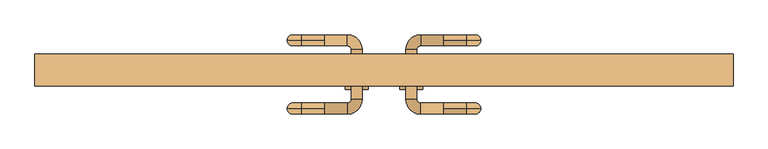
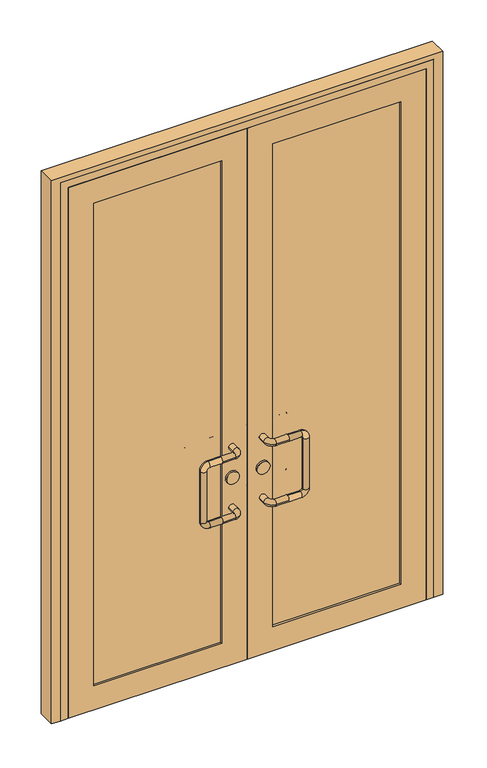
"""IFC4 building model written with IfcOpenShell, lengths in millimetres: door geometry."""

from ifc_helpers import new_model, si_unit, point, frame, frame_2d, origin, place, context, project, spatial, polyline, circle_curve, ellipse_curve, trimmed, segment, composite_curve, outline, extrude, faceted_brep, source, transform, mapped, element, save
from ifc_brep_helpers import cylinder_surface, revolved_surface, advanced_brep


def door_acc187e0(model_context):
    return source(origin(), model_context, "Body", "SolidModel", [
        advanced_brep(
        [(-130.0, -12.0, 900.0), (-80.0, -12.0, 900.0), (-80.0, 12.0, 900.0), (-130.0, 12.0, 900.0), (-130.0, 0.0, 912.0), (-130.0, 0.0, 888.0), (-48.0, 20.0, 900.0), (-72.0, 20.0, 900.0), (-48.0, 130.0, 900.0), (-72.0, 130.0, 900.0), (-80.0, 162.0, 900.0), (-80.0, 138.0, 900.0), (-130.0, 162.0, 900.0), (-130.0, 150.0, 912.0), (-130.0, 138.0, 900.0), (-130.0, 150.0, 888.0), (-180.0, 0.0, 888.0), (-180.0, 0.0, 912.0), (-188.0, 0.0, 880.0), (-212.0, 0.0, 880.0), (-188.0, 0.0, 670.0), (-212.0, 0.0, 670.0), (-180.0, 0.0, 662.0), (-180.0, 0.0, 638.0), (-130.0, 0.0, 662.0), (-130.0, 12.0, 650.0), (-130.0, 0.0, 638.0), (-130.0, -12.0, 650.0), (-80.0, -12.0, 650.0), (-80.0, 12.0, 650.0), (-48.0, 20.0, 650.0), (-72.0, 20.0, 650.0), (-48.0, 130.0, 650.0), (-72.0, 130.0, 650.0), (-80.0, 162.0, 650.0), (-80.0, 138.0, 650.0), (-130.0, 162.0, 650.0), (-130.0, 150.0, 662.0), (-130.0, 138.0, 650.0), (-130.0, 150.0, 638.0), (-180.0, 150.0, 888.0), (-180.0, 150.0, 912.0), (-188.0, 150.0, 880.0), (-212.0, 150.0, 880.0), (-188.0, 150.0, 670.0), (-212.0, 150.0, 670.0), (-180.0, 150.0, 662.0), (-180.0, 150.0, 638.0)],
        [
            (0, 1),
            (1, 2, circle_curve(frame((-80.0, 0.0, 900.0), z_axis=(-1.0, 0.0, 0.0), x_axis=(0.0, 1.0, 0.0)), 12.0)),
            (2, 3),
            (3, 4, circle_curve(frame((-130.0, 0.0, 900.0), z_axis=(1.0, 0.0, 0.0), x_axis=(0.0, 1.0, 0.0)), 12.0)),
            (4, 0, circle_curve(frame((-130.0, 0.0, 900.0), z_axis=(1.0, 0.0, 0.0), x_axis=(0.0, 1.0, 0.0)), 12.0)),
            (0, 5, circle_curve(frame((-130.0, 0.0, 900.0), z_axis=(1.0, 0.0, 0.0), x_axis=(0.0, 1.0, 0.0)), 12.0)),
            (5, 3, circle_curve(frame((-130.0, 0.0, 900.0), z_axis=(1.0, 0.0, 0.0), x_axis=(0.0, 1.0, 0.0)), 12.0)),
            (2, 1, circle_curve(frame((-80.0, 0.0, 900.0), z_axis=(-1.0, 0.0, 0.0), x_axis=(0.0, 1.0, 0.0)), 12.0)),
            (1, 6, circle_curve(frame((-80.0, 20.0, 900.0), z_axis=(0.0, 0.0, 1.0), x_axis=(0.0, -1.0, 0.0)), 32.0)),
            (6, 7, circle_curve(frame((-60.0, 20.0, 900.0), z_axis=(0.0, -1.0, 0.0), x_axis=(-1.0, 0.0, 0.0)), 12.0)),
            (7, 2, circle_curve(frame((-80.0, 20.0, 900.0), z_axis=(0.0, 0.0, -1.0), x_axis=(0.0, -1.0, 0.0)), 8.0)),
            (7, 6, circle_curve(frame((-60.0, 20.0, 900.0), z_axis=(0.0, -1.0, 0.0), x_axis=(-1.0, 0.0, 0.0)), 12.0)),
            (6, 8),
            (8, 9, circle_curve(frame((-60.0, 130.0, 900.0), z_axis=(0.0, -1.0, 0.0), x_axis=(-1.0, 0.0, 0.0)), 12.0)),
            (9, 7),
            (9, 8, circle_curve(frame((-60.0, 130.0, 900.0), z_axis=(0.0, -1.0, 0.0), x_axis=(-1.0, 0.0, 0.0)), 12.0)),
            (8, 10, circle_curve(frame((-80.0, 130.0, 900.0), z_axis=(0.0, 0.0, 1.0), x_axis=(1.0, 0.0, 0.0)), 32.0)),
            (10, 11, circle_curve(frame((-80.0, 150.0, 900.0), z_axis=(1.0, 0.0, 0.0), x_axis=(0.0, -1.0, 0.0)), 12.0)),
            (11, 9, circle_curve(frame((-80.0, 130.0, 900.0), z_axis=(0.0, 0.0, -1.0), x_axis=(1.0, 0.0, 0.0)), 8.0)),
            (11, 10, circle_curve(frame((-80.0, 150.0, 900.0), z_axis=(1.0, 0.0, 0.0), x_axis=(0.0, -1.0, 0.0)), 12.0)),
            (10, 12),
            (12, 13, circle_curve(frame((-130.0, 150.0, 900.0), z_axis=(1.0, 0.0, 0.0), x_axis=(0.0, -1.0, 0.0)), 12.0)),
            (13, 14, circle_curve(frame((-130.0, 150.0, 900.0), z_axis=(1.0, 0.0, 0.0), x_axis=(0.0, -1.0, 0.0)), 12.0)),
            (14, 11),
            (14, 15, circle_curve(frame((-130.0, 150.0, 900.0), z_axis=(1.0, 0.0, 0.0), x_axis=(0.0, -1.0, 0.0)), 12.0)),
            (15, 12, circle_curve(frame((-130.0, 150.0, 900.0), z_axis=(1.0, 0.0, 0.0), x_axis=(0.0, -1.0, 0.0)), 12.0)),
            (5, 16),
            (16, 17, circle_curve(frame((-180.0, 0.0, 900.0), z_axis=(1.0, 0.0, 0.0), x_axis=(0.0, 0.0, 1.0)), 12.0)),
            (17, 4),
            (17, 16, circle_curve(frame((-180.0, 0.0, 900.0), z_axis=(1.0, 0.0, 0.0), x_axis=(0.0, 0.0, 1.0)), 12.0)),
            (16, 18, circle_curve(frame((-180.0, 0.0, 880.0), z_axis=(0.0, -1.0, 0.0), x_axis=(0.0, 0.0, 1.0)), 8.0)),
            (18, 19, circle_curve(frame((-200.0, 0.0, 880.0), z_axis=(0.0, 0.0, 1.0), x_axis=(-1.0, 0.0, 0.0)), 12.0)),
            (19, 17, circle_curve(frame((-180.0, 0.0, 880.0), z_axis=(0.0, 1.0, 0.0), x_axis=(0.0, 0.0, 1.0)), 32.0)),
            (19, 18, circle_curve(frame((-200.0, 0.0, 880.0), z_axis=(0.0, 0.0, 1.0), x_axis=(-1.0, 0.0, 0.0)), 12.0)),
            (18, 20),
            (20, 21, circle_curve(frame((-200.0, 0.0, 670.0), z_axis=(0.0, 0.0, 1.0), x_axis=(-1.0, 0.0, 0.0)), 12.0)),
            (21, 19),
            (21, 20, circle_curve(frame((-200.0, 0.0, 670.0), z_axis=(0.0, 0.0, 1.0), x_axis=(-1.0, 0.0, 0.0)), 12.0)),
            (20, 22, circle_curve(frame((-180.0, 0.0, 670.0), z_axis=(0.0, -1.0, 0.0), x_axis=(-1.0, 0.0, 0.0)), 8.0)),
            (22, 23, circle_curve(frame((-180.0, 0.0, 650.0), z_axis=(-1.0, 0.0, 0.0), x_axis=(0.0, 0.0, -1.0)), 12.0)),
            (23, 21, circle_curve(frame((-180.0, 0.0, 670.0), z_axis=(0.0, 1.0, 0.0), x_axis=(-1.0, 0.0, 0.0)), 32.0)),
            (23, 22, circle_curve(frame((-180.0, 0.0, 650.0), z_axis=(-1.0, 0.0, 0.0), x_axis=(0.0, 0.0, -1.0)), 12.0)),
            (22, 24),
            (24, 25, circle_curve(frame((-130.0, 0.0, 650.0), z_axis=(-1.0, 0.0, 0.0), x_axis=(0.0, 0.0, -1.0)), 12.0)),
            (25, 26, circle_curve(frame((-130.0, 0.0, 650.0), z_axis=(-1.0, 0.0, 0.0), x_axis=(0.0, 0.0, -1.0)), 12.0)),
            (26, 23),
            (26, 27, circle_curve(frame((-130.0, 0.0, 650.0), z_axis=(-1.0, 0.0, 0.0), x_axis=(0.0, 0.0, -1.0)), 12.0)),
            (27, 24, circle_curve(frame((-130.0, 0.0, 650.0), z_axis=(-1.0, 0.0, 0.0), x_axis=(0.0, 0.0, -1.0)), 12.0)),
            (27, 28),
            (28, 29, circle_curve(frame((-80.0, 0.0, 650.0), z_axis=(-1.0, 0.0, 0.0), x_axis=(0.0, 1.0, 0.0)), 12.0)),
            (29, 25),
            (29, 28, circle_curve(frame((-80.0, 0.0, 650.0), z_axis=(-1.0, 0.0, 0.0), x_axis=(0.0, 1.0, 0.0)), 12.0)),
            (28, 30, circle_curve(frame((-80.0, 20.0, 650.0), z_axis=(0.0, 0.0, 1.0), x_axis=(0.0, -1.0, 0.0)), 32.0)),
            (30, 31, circle_curve(frame((-60.0, 20.0, 650.0), z_axis=(0.0, -1.0, 0.0), x_axis=(-1.0, 0.0, 0.0)), 12.0)),
            (31, 29, circle_curve(frame((-80.0, 20.0, 650.0), z_axis=(0.0, 0.0, -1.0), x_axis=(0.0, -1.0, 0.0)), 8.0)),
            (31, 30, circle_curve(frame((-60.0, 20.0, 650.0), z_axis=(0.0, -1.0, 0.0), x_axis=(-1.0, 0.0, 0.0)), 12.0)),
            (30, 32),
            (32, 33, circle_curve(frame((-60.0, 130.0, 650.0), z_axis=(0.0, -1.0, 0.0), x_axis=(-1.0, 0.0, 0.0)), 12.0)),
            (33, 31),
            (33, 32, circle_curve(frame((-60.0, 130.0, 650.0), z_axis=(0.0, -1.0, 0.0), x_axis=(-1.0, 0.0, 0.0)), 12.0)),
            (32, 34, circle_curve(frame((-80.0, 130.0, 650.0), z_axis=(0.0, 0.0, 1.0), x_axis=(1.0, 0.0, 0.0)), 32.0)),
            (34, 35, circle_curve(frame((-80.0, 150.0, 650.0), z_axis=(1.0, 0.0, 0.0), x_axis=(0.0, -1.0, 0.0)), 12.0)),
            (35, 33, circle_curve(frame((-80.0, 130.0, 650.0), z_axis=(0.0, 0.0, -1.0), x_axis=(1.0, 0.0, 0.0)), 8.0)),
            (35, 34, circle_curve(frame((-80.0, 150.0, 650.0), z_axis=(1.0, 0.0, 0.0), x_axis=(0.0, -1.0, 0.0)), 12.0)),
            (34, 36),
            (36, 37, circle_curve(frame((-130.0, 150.0, 650.0), z_axis=(1.0, 0.0, 0.0), x_axis=(0.0, -1.0, 0.0)), 12.0)),
            (37, 38, circle_curve(frame((-130.0, 150.0, 650.0), z_axis=(1.0, 0.0, 0.0), x_axis=(0.0, -1.0, 0.0)), 12.0)),
            (38, 35),
            (38, 39, circle_curve(frame((-130.0, 150.0, 650.0), z_axis=(1.0, 0.0, 0.0), x_axis=(0.0, -1.0, 0.0)), 12.0)),
            (39, 36, circle_curve(frame((-130.0, 150.0, 650.0), z_axis=(1.0, 0.0, 0.0), x_axis=(0.0, -1.0, 0.0)), 12.0)),
            (15, 40),
            (40, 41, circle_curve(frame((-180.0, 150.0, 900.0), z_axis=(1.0, 0.0, 0.0), x_axis=(0.0, 0.0, 1.0)), 12.0)),
            (41, 13),
            (41, 40, circle_curve(frame((-180.0, 150.0, 900.0), z_axis=(1.0, 0.0, 0.0), x_axis=(0.0, 0.0, 1.0)), 12.0)),
            (40, 42, circle_curve(frame((-180.0, 150.0, 880.0), z_axis=(0.0, -1.0, 0.0), x_axis=(0.0, 0.0, 1.0)), 8.0)),
            (42, 43, circle_curve(frame((-200.0, 150.0, 880.0), z_axis=(0.0, 0.0, 1.0), x_axis=(-1.0, 0.0, 0.0)), 12.0)),
            (43, 41, circle_curve(frame((-180.0, 150.0, 880.0), z_axis=(0.0, 1.0, 0.0), x_axis=(0.0, 0.0, 1.0)), 32.0)),
            (43, 42, circle_curve(frame((-200.0, 150.0, 880.0), z_axis=(0.0, 0.0, 1.0), x_axis=(-1.0, 0.0, 0.0)), 12.0)),
            (42, 44),
            (44, 45, circle_curve(frame((-200.0, 150.0, 670.0), z_axis=(0.0, 0.0, 1.0), x_axis=(-1.0, 0.0, 0.0)), 12.0)),
            (45, 43),
            (45, 44, circle_curve(frame((-200.0, 150.0, 670.0), z_axis=(0.0, 0.0, 1.0), x_axis=(-1.0, 0.0, 0.0)), 12.0)),
            (44, 46, circle_curve(frame((-180.0, 150.0, 670.0), z_axis=(0.0, -1.0, 0.0), x_axis=(-1.0, 0.0, 0.0)), 8.0)),
            (46, 47, circle_curve(frame((-180.0, 150.0, 650.0), z_axis=(-1.0, 0.0, 0.0), x_axis=(0.0, 0.0, -1.0)), 12.0)),
            (47, 45, circle_curve(frame((-180.0, 150.0, 670.0), z_axis=(0.0, 1.0, 0.0), x_axis=(-1.0, 0.0, 0.0)), 32.0)),
            (47, 46, circle_curve(frame((-180.0, 150.0, 650.0), z_axis=(-1.0, 0.0, 0.0), x_axis=(0.0, 0.0, -1.0)), 12.0)),
            (46, 37),
            (39, 47),
        ],
        [
            cylinder_surface(frame((-130.0, 0.0, 900.0), z_axis=(-1.0, 0.0, 0.0), x_axis=(0.0, 1.0, 0.0)), 12.0),
            revolved_surface(trimmed(ellipse_curve(frame((-80.0, 0.0, 900.0), z_axis=(-1.0, 0.0, 0.0), x_axis=(0.0, 1.0, 0.0)), 12.0, 12.0), [point((-80.0, -12.0, 900.0))], [point((-80.0, 12.0, 900.0))], True, "CARTESIAN"), (-80.0, 20.0, 900.0), (0.0, 0.0, 1.0)),
            revolved_surface(trimmed(ellipse_curve(frame((-80.0, 0.0, 900.0), z_axis=(-1.0, 0.0, 0.0), x_axis=(0.0, 1.0, 0.0)), 12.0, 12.0), [point((-80.0, 12.0, 900.0))], [point((-80.0, -12.0, 900.0))], True, "CARTESIAN"), (-80.0, 20.0, 900.0), (0.0, 0.0, 1.0)),
            cylinder_surface(frame((-60.0, 20.0, 900.0), z_axis=(0.0, -1.0, 0.0), x_axis=(-1.0, 0.0, 0.0)), 12.0),
            revolved_surface(trimmed(ellipse_curve(frame((-60.0, 130.0, 900.0), z_axis=(0.0, -1.0, 0.0), x_axis=(-1.0, 0.0, 0.0)), 12.0, 12.0), [point((-48.0, 130.0, 900.0))], [point((-72.0, 130.0, 900.0))], True, "CARTESIAN"), (-80.0, 130.0, 900.0), (0.0, 0.0, 1.0)),
            revolved_surface(trimmed(ellipse_curve(frame((-60.0, 130.0, 900.0), z_axis=(0.0, -1.0, 0.0), x_axis=(-1.0, 0.0, 0.0)), 12.0, 12.0), [point((-72.0, 130.0, 900.0))], [point((-48.0, 130.0, 900.0))], True, "CARTESIAN"), (-80.0, 130.0, 900.0), (0.0, 0.0, 1.0)),
            cylinder_surface(frame((-80.0, 150.0, 900.0), z_axis=(1.0, 0.0, 0.0), x_axis=(0.0, -1.0, 0.0)), 12.0),
            cylinder_surface(frame((-130.0, 0.0, 900.0), z_axis=(1.0, 0.0, 0.0), x_axis=(0.0, 0.0, 1.0)), 12.0),
            revolved_surface(trimmed(ellipse_curve(frame((-180.0, 0.0, 900.0), z_axis=(1.0, 0.0, 0.0), x_axis=(0.0, 0.0, 1.0)), 12.0, 12.0), [point((-180.0, 0.0, 888.0))], [point((-180.0, 0.0, 912.0))], True, "CARTESIAN"), (-180.0, 0.0, 880.0), (0.0, -1.0, 0.0)),
            revolved_surface(trimmed(ellipse_curve(frame((-180.0, 0.0, 900.0), z_axis=(1.0, 0.0, 0.0), x_axis=(0.0, 0.0, 1.0)), 12.0, 12.0), [point((-180.0, 0.0, 912.0))], [point((-180.0, 0.0, 888.0))], True, "CARTESIAN"), (-180.0, 0.0, 880.0), (0.0, -1.0, 0.0)),
            cylinder_surface(frame((-200.0, 0.0, 880.0), z_axis=(0.0, 0.0, 1.0), x_axis=(-1.0, 0.0, 0.0)), 12.0),
            revolved_surface(trimmed(ellipse_curve(frame((-200.0, 0.0, 670.0), z_axis=(0.0, 0.0, 1.0), x_axis=(-1.0, 0.0, 0.0)), 12.0, 12.0), [point((-188.0, 0.0, 670.0))], [point((-212.0, 0.0, 670.0))], True, "CARTESIAN"), (-180.0, 0.0, 670.0), (0.0, -1.0, 0.0)),
            revolved_surface(trimmed(ellipse_curve(frame((-200.0, 0.0, 670.0), z_axis=(0.0, 0.0, 1.0), x_axis=(-1.0, 0.0, 0.0)), 12.0, 12.0), [point((-212.0, 0.0, 670.0))], [point((-188.0, 0.0, 670.0))], True, "CARTESIAN"), (-180.0, 0.0, 670.0), (0.0, -1.0, 0.0)),
            cylinder_surface(frame((-180.0, 0.0, 650.0), z_axis=(-1.0, 0.0, 0.0), x_axis=(0.0, 0.0, -1.0)), 12.0),
            cylinder_surface(frame((-130.0, 0.0, 650.0), z_axis=(-1.0, 0.0, 0.0), x_axis=(0.0, 1.0, 0.0)), 12.0),
            revolved_surface(trimmed(ellipse_curve(frame((-80.0, 0.0, 650.0), z_axis=(-1.0, 0.0, 0.0), x_axis=(0.0, 1.0, 0.0)), 12.0, 12.0), [point((-80.0, -12.0, 650.0))], [point((-80.0, 12.0, 650.0))], True, "CARTESIAN"), (-80.0, 20.0, 650.0), (0.0, 0.0, 1.0)),
            revolved_surface(trimmed(ellipse_curve(frame((-80.0, 0.0, 650.0), z_axis=(-1.0, 0.0, 0.0), x_axis=(0.0, 1.0, 0.0)), 12.0, 12.0), [point((-80.0, 12.0, 650.0))], [point((-80.0, -12.0, 650.0))], True, "CARTESIAN"), (-80.0, 20.0, 650.0), (0.0, 0.0, 1.0)),
            cylinder_surface(frame((-60.0, 20.0, 650.0), z_axis=(0.0, -1.0, 0.0), x_axis=(-1.0, 0.0, 0.0)), 12.0),
            revolved_surface(trimmed(ellipse_curve(frame((-60.0, 130.0, 650.0), z_axis=(0.0, -1.0, 0.0), x_axis=(-1.0, 0.0, 0.0)), 12.0, 12.0), [point((-48.0, 130.0, 650.0))], [point((-72.0, 130.0, 650.0))], True, "CARTESIAN"), (-80.0, 130.0, 650.0), (0.0, 0.0, 1.0)),
            revolved_surface(trimmed(ellipse_curve(frame((-60.0, 130.0, 650.0), z_axis=(0.0, -1.0, 0.0), x_axis=(-1.0, 0.0, 0.0)), 12.0, 12.0), [point((-72.0, 130.0, 650.0))], [point((-48.0, 130.0, 650.0))], True, "CARTESIAN"), (-80.0, 130.0, 650.0), (0.0, 0.0, 1.0)),
            cylinder_surface(frame((-80.0, 150.0, 650.0), z_axis=(1.0, 0.0, 0.0), x_axis=(0.0, -1.0, 0.0)), 12.0),
            cylinder_surface(frame((-130.0, 150.0, 900.0), z_axis=(1.0, 0.0, 0.0), x_axis=(0.0, 0.0, 1.0)), 12.0),
            revolved_surface(trimmed(ellipse_curve(frame((-180.0, 150.0, 900.0), z_axis=(1.0, 0.0, 0.0), x_axis=(0.0, 0.0, 1.0)), 12.0, 12.0), [point((-180.0, 150.0, 888.0))], [point((-180.0, 150.0, 912.0))], True, "CARTESIAN"), (-180.0, 150.0, 880.0), (0.0, -1.0, 0.0)),
            revolved_surface(trimmed(ellipse_curve(frame((-180.0, 150.0, 900.0), z_axis=(1.0, 0.0, 0.0), x_axis=(0.0, 0.0, 1.0)), 12.0, 12.0), [point((-180.0, 150.0, 912.0))], [point((-180.0, 150.0, 888.0))], True, "CARTESIAN"), (-180.0, 150.0, 880.0), (0.0, -1.0, 0.0)),
            cylinder_surface(frame((-200.0, 150.0, 880.0), z_axis=(0.0, 0.0, 1.0), x_axis=(-1.0, 0.0, 0.0)), 12.0),
            revolved_surface(trimmed(ellipse_curve(frame((-200.0, 150.0, 670.0), z_axis=(0.0, 0.0, 1.0), x_axis=(-1.0, 0.0, 0.0)), 12.0, 12.0), [point((-188.0, 150.0, 670.0))], [point((-212.0, 150.0, 670.0))], True, "CARTESIAN"), (-180.0, 150.0, 670.0), (0.0, -1.0, 0.0)),
            revolved_surface(trimmed(ellipse_curve(frame((-200.0, 150.0, 670.0), z_axis=(0.0, 0.0, 1.0), x_axis=(-1.0, 0.0, 0.0)), 12.0, 12.0), [point((-212.0, 150.0, 670.0))], [point((-188.0, 150.0, 670.0))], True, "CARTESIAN"), (-180.0, 150.0, 670.0), (0.0, -1.0, 0.0)),
            cylinder_surface(frame((-180.0, 150.0, 650.0), z_axis=(-1.0, 0.0, 0.0), x_axis=(0.0, 0.0, -1.0)), 12.0),
        ],
        [
            (0, [[1, 2, 3, 4, 5]]),
            (0, [[-1, 6, 7, -3, 8]]),
            (1, [[-2, 9, 10, 11]]),
            (2, [[-8, -11, 12, -9]]),
            (3, [[-10, 13, 14, 15]]),
            (3, [[-12, -15, 16, -13]]),
            (4, [[-14, 17, 18, 19]]),
            (5, [[-16, -19, 20, -17]]),
            (6, [[-18, 21, 22, 23, 24]]),
            (6, [[-20, -24, 25, 26, -21]]),
            (7, [[27, 28, 29, -4, -7]]),
            (7, [[-27, -6, -5, -29, 30]]),
            (8, [[-28, 31, 32, 33]]),
            (9, [[-30, -33, 34, -31]]),
            (10, [[-32, 35, 36, 37]]),
            (10, [[-34, -37, 38, -35]]),
            (11, [[-36, 39, 40, 41]]),
            (12, [[-38, -41, 42, -39]]),
            (13, [[-40, 43, 44, 45, 46]]),
            (13, [[-42, -46, 47, 48, -43]]),
            (14, [[49, 50, 51, -44, -48]]),
            (14, [[-49, -47, -45, -51, 52]]),
            (15, [[-50, 53, 54, 55]]),
            (16, [[-52, -55, 56, -53]]),
            (17, [[-54, 57, 58, 59]]),
            (17, [[-56, -59, 60, -57]]),
            (18, [[-58, 61, 62, 63]]),
            (19, [[-60, -63, 64, -61]]),
            (20, [[-62, 65, 66, 67, 68]]),
            (20, [[-64, -68, 69, 70, -65]]),
            (21, [[71, 72, 73, -22, -26]]),
            (21, [[-71, -25, -23, -73, 74]]),
            (22, [[-72, 75, 76, 77]]),
            (23, [[-74, -77, 78, -75]]),
            (24, [[-76, 79, 80, 81]]),
            (24, [[-78, -81, 82, -79]]),
            (25, [[-80, 83, 84, 85]]),
            (26, [[-82, -85, 86, -83]]),
            (27, [[-84, 87, -66, -70, 88]]),
            (27, [[-86, -88, -69, -67, -87]]),
        ],
    ),
        extrude(outline(composite_curve([segment(trimmed(circle_curve(frame_2d((775.0, -60.0)), 25.0), [point((775.0, -35.0))], [point((775.0, -85.0))], False, "CARTESIAN"), True, "CONTINUOUS"), segment(trimmed(circle_curve(frame_2d((775.0, -60.0)), 25.0), [point((775.0, -85.0))], [point((775.0, -35.0))], False, "CARTESIAN"), True, "CONTINUOUS")], self_intersect=False)), frame((0.0, 42.0, 0.0), z_axis=(0.0, 1.0, 0.0), x_axis=(0.0, 0.0, 1.0)), (0.0, 0.0, 1.0), 66.0),
        advanced_brep(
        [(130.0, -12.0, 900.0), (130.0, 0.0, 912.0), (130.0, 12.0, 900.0), (80.0, 12.0, 900.0), (80.0, -12.0, 900.0), (130.0, 0.0, 888.0), (72.0, 20.0, 900.0), (48.0, 20.0, 900.0), (72.0, 130.0, 900.0), (48.0, 130.0, 900.0), (80.0, 138.0, 900.0), (80.0, 162.0, 900.0), (130.0, 138.0, 900.0), (130.0, 150.0, 912.0), (130.0, 162.0, 900.0), (130.0, 150.0, 888.0), (180.0, 0.0, 912.0), (180.0, 0.0, 888.0), (212.0, 0.0, 880.0), (188.0, 0.0, 880.0), (212.0, 0.0, 670.0), (188.0, 0.0, 670.0), (180.0, 0.0, 638.0), (180.0, 0.0, 662.0), (130.0, 0.0, 638.0), (130.0, 12.0, 650.0), (130.0, 0.0, 662.0), (130.0, -12.0, 650.0), (80.0, 12.0, 650.0), (80.0, -12.0, 650.0), (72.0, 20.0, 650.0), (48.0, 20.0, 650.0), (72.0, 130.0, 650.0), (48.0, 130.0, 650.0), (80.0, 138.0, 650.0), (80.0, 162.0, 650.0), (130.0, 138.0, 650.0), (130.0, 150.0, 662.0), (130.0, 162.0, 650.0), (130.0, 150.0, 638.0), (180.0, 150.0, 912.0), (180.0, 150.0, 888.0), (212.0, 150.0, 880.0), (188.0, 150.0, 880.0), (212.0, 150.0, 670.0), (188.0, 150.0, 670.0), (180.0, 150.0, 638.0), (180.0, 150.0, 662.0)],
        [
            (0, 1, circle_curve(frame((130.0, 0.0, 900.0), z_axis=(-1.0, 0.0, 0.0), x_axis=(0.0, 1.0, 0.0)), 12.0)),
            (1, 2, circle_curve(frame((130.0, 0.0, 900.0), z_axis=(-1.0, 0.0, 0.0), x_axis=(0.0, 1.0, 0.0)), 12.0)),
            (2, 3),
            (3, 4, circle_curve(frame((80.0, 0.0, 900.0), z_axis=(1.0, 0.0, 0.0), x_axis=(0.0, 1.0, 0.0)), 12.0)),
            (4, 0),
            (4, 3, circle_curve(frame((80.0, 0.0, 900.0), z_axis=(1.0, 0.0, 0.0), x_axis=(0.0, 1.0, 0.0)), 12.0)),
            (2, 5, circle_curve(frame((130.0, 0.0, 900.0), z_axis=(-1.0, 0.0, 0.0), x_axis=(0.0, 1.0, 0.0)), 12.0)),
            (5, 0, circle_curve(frame((130.0, 0.0, 900.0), z_axis=(-1.0, 0.0, 0.0), x_axis=(0.0, 1.0, 0.0)), 12.0)),
            (3, 6, circle_curve(frame((80.0, 20.0, 900.0), z_axis=(0.0, 0.0, -1.0), x_axis=(0.0, -1.0, 0.0)), 8.0)),
            (6, 7, circle_curve(frame((60.0, 20.0, 900.0), z_axis=(0.0, -1.0, 0.0), x_axis=(1.0, 0.0, 0.0)), 12.0)),
            (7, 4, circle_curve(frame((80.0, 20.0, 900.0), z_axis=(0.0, 0.0, 1.0), x_axis=(0.0, -1.0, 0.0)), 32.0)),
            (7, 6, circle_curve(frame((60.0, 20.0, 900.0), z_axis=(0.0, -1.0, 0.0), x_axis=(1.0, 0.0, 0.0)), 12.0)),
            (6, 8),
            (8, 9, circle_curve(frame((60.0, 130.0, 900.0), z_axis=(0.0, -1.0, 0.0), x_axis=(1.0, 0.0, 0.0)), 12.0)),
            (9, 7),
            (9, 8, circle_curve(frame((60.0, 130.0, 900.0), z_axis=(0.0, -1.0, 0.0), x_axis=(1.0, 0.0, 0.0)), 12.0)),
            (8, 10, circle_curve(frame((80.0, 130.0, 900.0), z_axis=(0.0, 0.0, -1.0), x_axis=(-1.0, 0.0, 0.0)), 8.0)),
            (10, 11, circle_curve(frame((80.0, 150.0, 900.0), z_axis=(-1.0, 0.0, 0.0), x_axis=(0.0, -1.0, 0.0)), 12.0)),
            (11, 9, circle_curve(frame((80.0, 130.0, 900.0), z_axis=(0.0, 0.0, 1.0), x_axis=(-1.0, 0.0, 0.0)), 32.0)),
            (11, 10, circle_curve(frame((80.0, 150.0, 900.0), z_axis=(-1.0, 0.0, 0.0), x_axis=(0.0, -1.0, 0.0)), 12.0)),
            (10, 12),
            (12, 13, circle_curve(frame((130.0, 150.0, 900.0), z_axis=(-1.0, 0.0, 0.0), x_axis=(0.0, -1.0, 0.0)), 12.0)),
            (13, 14, circle_curve(frame((130.0, 150.0, 900.0), z_axis=(-1.0, 0.0, 0.0), x_axis=(0.0, -1.0, 0.0)), 12.0)),
            (14, 11),
            (14, 15, circle_curve(frame((130.0, 150.0, 900.0), z_axis=(-1.0, 0.0, 0.0), x_axis=(0.0, -1.0, 0.0)), 12.0)),
            (15, 12, circle_curve(frame((130.0, 150.0, 900.0), z_axis=(-1.0, 0.0, 0.0), x_axis=(0.0, -1.0, 0.0)), 12.0)),
            (1, 16),
            (16, 17, circle_curve(frame((180.0, 0.0, 900.0), z_axis=(-1.0, 0.0, 0.0), x_axis=(0.0, 0.0, 1.0)), 12.0)),
            (17, 5),
            (17, 16, circle_curve(frame((180.0, 0.0, 900.0), z_axis=(-1.0, 0.0, 0.0), x_axis=(0.0, 0.0, 1.0)), 12.0)),
            (16, 18, circle_curve(frame((180.0, 0.0, 880.0), z_axis=(0.0, 1.0, 0.0), x_axis=(0.0, 0.0, 1.0)), 32.0)),
            (18, 19, circle_curve(frame((200.0, 0.0, 880.0), z_axis=(0.0, 0.0, 1.0), x_axis=(1.0, 0.0, 0.0)), 12.0)),
            (19, 17, circle_curve(frame((180.0, 0.0, 880.0), z_axis=(0.0, -1.0, 0.0), x_axis=(0.0, 0.0, 1.0)), 8.0)),
            (19, 18, circle_curve(frame((200.0, 0.0, 880.0), z_axis=(0.0, 0.0, 1.0), x_axis=(1.0, 0.0, 0.0)), 12.0)),
            (18, 20),
            (20, 21, circle_curve(frame((200.0, 0.0, 670.0), z_axis=(0.0, 0.0, 1.0), x_axis=(1.0, 0.0, 0.0)), 12.0)),
            (21, 19),
            (21, 20, circle_curve(frame((200.0, 0.0, 670.0), z_axis=(0.0, 0.0, 1.0), x_axis=(1.0, 0.0, 0.0)), 12.0)),
            (20, 22, circle_curve(frame((180.0, 0.0, 670.0), z_axis=(0.0, 1.0, 0.0), x_axis=(1.0, 0.0, 0.0)), 32.0)),
            (22, 23, circle_curve(frame((180.0, 0.0, 650.0), z_axis=(1.0, 0.0, 0.0), x_axis=(0.0, 0.0, -1.0)), 12.0)),
            (23, 21, circle_curve(frame((180.0, 0.0, 670.0), z_axis=(0.0, -1.0, 0.0), x_axis=(1.0, 0.0, 0.0)), 8.0)),
            (23, 22, circle_curve(frame((180.0, 0.0, 650.0), z_axis=(1.0, 0.0, 0.0), x_axis=(0.0, 0.0, -1.0)), 12.0)),
            (22, 24),
            (24, 25, circle_curve(frame((130.0, 0.0, 650.0), z_axis=(1.0, 0.0, 0.0), x_axis=(0.0, 0.0, -1.0)), 12.0)),
            (25, 26, circle_curve(frame((130.0, 0.0, 650.0), z_axis=(1.0, 0.0, 0.0), x_axis=(0.0, 0.0, -1.0)), 12.0)),
            (26, 23),
            (26, 27, circle_curve(frame((130.0, 0.0, 650.0), z_axis=(1.0, 0.0, 0.0), x_axis=(0.0, 0.0, -1.0)), 12.0)),
            (27, 24, circle_curve(frame((130.0, 0.0, 650.0), z_axis=(1.0, 0.0, 0.0), x_axis=(0.0, 0.0, -1.0)), 12.0)),
            (25, 28),
            (28, 29, circle_curve(frame((80.0, 0.0, 650.0), z_axis=(1.0, 0.0, 0.0), x_axis=(0.0, 1.0, 0.0)), 12.0)),
            (29, 27),
            (29, 28, circle_curve(frame((80.0, 0.0, 650.0), z_axis=(1.0, 0.0, 0.0), x_axis=(0.0, 1.0, 0.0)), 12.0)),
            (28, 30, circle_curve(frame((80.0, 20.0, 650.0), z_axis=(0.0, 0.0, -1.0), x_axis=(0.0, -1.0, 0.0)), 8.0)),
            (30, 31, circle_curve(frame((60.0, 20.0, 650.0), z_axis=(0.0, -1.0, 0.0), x_axis=(1.0, 0.0, 0.0)), 12.0)),
            (31, 29, circle_curve(frame((80.0, 20.0, 650.0), z_axis=(0.0, 0.0, 1.0), x_axis=(0.0, -1.0, 0.0)), 32.0)),
            (31, 30, circle_curve(frame((60.0, 20.0, 650.0), z_axis=(0.0, -1.0, 0.0), x_axis=(1.0, 0.0, 0.0)), 12.0)),
            (30, 32),
            (32, 33, circle_curve(frame((60.0, 130.0, 650.0), z_axis=(0.0, -1.0, 0.0), x_axis=(1.0, 0.0, 0.0)), 12.0)),
            (33, 31),
            (33, 32, circle_curve(frame((60.0, 130.0, 650.0), z_axis=(0.0, -1.0, 0.0), x_axis=(1.0, 0.0, 0.0)), 12.0)),
            (32, 34, circle_curve(frame((80.0, 130.0, 650.0), z_axis=(0.0, 0.0, -1.0), x_axis=(-1.0, 0.0, 0.0)), 8.0)),
            (34, 35, circle_curve(frame((80.0, 150.0, 650.0), z_axis=(-1.0, 0.0, 0.0), x_axis=(0.0, -1.0, 0.0)), 12.0)),
            (35, 33, circle_curve(frame((80.0, 130.0, 650.0), z_axis=(0.0, 0.0, 1.0), x_axis=(-1.0, 0.0, 0.0)), 32.0)),
            (35, 34, circle_curve(frame((80.0, 150.0, 650.0), z_axis=(-1.0, 0.0, 0.0), x_axis=(0.0, -1.0, 0.0)), 12.0)),
            (34, 36),
            (36, 37, circle_curve(frame((130.0, 150.0, 650.0), z_axis=(-1.0, 0.0, 0.0), x_axis=(0.0, -1.0, 0.0)), 12.0)),
            (37, 38, circle_curve(frame((130.0, 150.0, 650.0), z_axis=(-1.0, 0.0, 0.0), x_axis=(0.0, -1.0, 0.0)), 12.0)),
            (38, 35),
            (38, 39, circle_curve(frame((130.0, 150.0, 650.0), z_axis=(-1.0, 0.0, 0.0), x_axis=(0.0, -1.0, 0.0)), 12.0)),
            (39, 36, circle_curve(frame((130.0, 150.0, 650.0), z_axis=(-1.0, 0.0, 0.0), x_axis=(0.0, -1.0, 0.0)), 12.0)),
            (13, 40),
            (40, 41, circle_curve(frame((180.0, 150.0, 900.0), z_axis=(-1.0, 0.0, 0.0), x_axis=(0.0, 0.0, 1.0)), 12.0)),
            (41, 15),
            (41, 40, circle_curve(frame((180.0, 150.0, 900.0), z_axis=(-1.0, 0.0, 0.0), x_axis=(0.0, 0.0, 1.0)), 12.0)),
            (40, 42, circle_curve(frame((180.0, 150.0, 880.0), z_axis=(0.0, 1.0, 0.0), x_axis=(0.0, 0.0, 1.0)), 32.0)),
            (42, 43, circle_curve(frame((200.0, 150.0, 880.0), z_axis=(0.0, 0.0, 1.0), x_axis=(1.0, 0.0, 0.0)), 12.0)),
            (43, 41, circle_curve(frame((180.0, 150.0, 880.0), z_axis=(0.0, -1.0, 0.0), x_axis=(0.0, 0.0, 1.0)), 8.0)),
            (43, 42, circle_curve(frame((200.0, 150.0, 880.0), z_axis=(0.0, 0.0, 1.0), x_axis=(1.0, 0.0, 0.0)), 12.0)),
            (42, 44),
            (44, 45, circle_curve(frame((200.0, 150.0, 670.0), z_axis=(0.0, 0.0, 1.0), x_axis=(1.0, 0.0, 0.0)), 12.0)),
            (45, 43),
            (45, 44, circle_curve(frame((200.0, 150.0, 670.0), z_axis=(0.0, 0.0, 1.0), x_axis=(1.0, 0.0, 0.0)), 12.0)),
            (44, 46, circle_curve(frame((180.0, 150.0, 670.0), z_axis=(0.0, 1.0, 0.0), x_axis=(1.0, 0.0, 0.0)), 32.0)),
            (46, 47, circle_curve(frame((180.0, 150.0, 650.0), z_axis=(1.0, 0.0, 0.0), x_axis=(0.0, 0.0, -1.0)), 12.0)),
            (47, 45, circle_curve(frame((180.0, 150.0, 670.0), z_axis=(0.0, -1.0, 0.0), x_axis=(1.0, 0.0, 0.0)), 8.0)),
            (47, 46, circle_curve(frame((180.0, 150.0, 650.0), z_axis=(1.0, 0.0, 0.0), x_axis=(0.0, 0.0, -1.0)), 12.0)),
            (46, 39),
            (37, 47),
        ],
        [
            cylinder_surface(frame((130.0, 0.0, 900.0), z_axis=(1.0, 0.0, 0.0), x_axis=(0.0, 1.0, 0.0)), 12.0),
            revolved_surface(trimmed(ellipse_curve(frame((80.0, 0.0, 900.0), z_axis=(-1.0, 0.0, 0.0), x_axis=(0.0, 1.0, 0.0)), 12.0, 12.0), [point((80.0, -12.0, 900.0))], [point((80.0, 12.0, 900.0))], True, "CARTESIAN"), (80.0, 20.0, 900.0), (0.0, 0.0, 1.0)),
            revolved_surface(trimmed(ellipse_curve(frame((80.0, 0.0, 900.0), z_axis=(-1.0, 0.0, 0.0), x_axis=(0.0, 1.0, 0.0)), 12.0, 12.0), [point((80.0, 12.0, 900.0))], [point((80.0, -12.0, 900.0))], True, "CARTESIAN"), (80.0, 20.0, 900.0), (0.0, 0.0, 1.0)),
            cylinder_surface(frame((60.0, 20.0, 900.0), z_axis=(0.0, -1.0, 0.0), x_axis=(1.0, 0.0, 0.0)), 12.0),
            revolved_surface(trimmed(ellipse_curve(frame((60.0, 130.0, 900.0), z_axis=(0.0, 1.0, 0.0), x_axis=(1.0, 0.0, 0.0)), 12.0, 12.0), [point((48.0, 130.0, 900.0))], [point((72.0, 130.0, 900.0))], True, "CARTESIAN"), (80.0, 130.0, 900.0), (0.0, 0.0, 1.0)),
            revolved_surface(trimmed(ellipse_curve(frame((60.0, 130.0, 900.0), z_axis=(0.0, 1.0, 0.0), x_axis=(1.0, 0.0, 0.0)), 12.0, 12.0), [point((72.0, 130.0, 900.0))], [point((48.0, 130.0, 900.0))], True, "CARTESIAN"), (80.0, 130.0, 900.0), (0.0, 0.0, 1.0)),
            cylinder_surface(frame((80.0, 150.0, 900.0), z_axis=(-1.0, 0.0, 0.0), x_axis=(0.0, -1.0, 0.0)), 12.0),
            cylinder_surface(frame((130.0, 0.0, 900.0), z_axis=(-1.0, 0.0, 0.0), x_axis=(0.0, 0.0, 1.0)), 12.0),
            revolved_surface(trimmed(ellipse_curve(frame((180.0, 0.0, 900.0), z_axis=(1.0, 0.0, 0.0), x_axis=(0.0, 0.0, 1.0)), 12.0, 12.0), [point((180.0, 0.0, 888.0))], [point((180.0, 0.0, 912.0))], True, "CARTESIAN"), (180.0, 0.0, 880.0), (0.0, -1.0, 0.0)),
            revolved_surface(trimmed(ellipse_curve(frame((180.0, 0.0, 900.0), z_axis=(1.0, 0.0, 0.0), x_axis=(0.0, 0.0, 1.0)), 12.0, 12.0), [point((180.0, 0.0, 912.0))], [point((180.0, 0.0, 888.0))], True, "CARTESIAN"), (180.0, 0.0, 880.0), (0.0, -1.0, 0.0)),
            cylinder_surface(frame((200.0, 0.0, 880.0), z_axis=(0.0, 0.0, 1.0), x_axis=(1.0, 0.0, 0.0)), 12.0),
            revolved_surface(trimmed(ellipse_curve(frame((200.0, 0.0, 670.0), z_axis=(0.0, 0.0, -1.0), x_axis=(1.0, 0.0, 0.0)), 12.0, 12.0), [point((188.0, 0.0, 670.0))], [point((212.0, 0.0, 670.0))], True, "CARTESIAN"), (180.0, 0.0, 670.0), (0.0, -1.0, 0.0)),
            revolved_surface(trimmed(ellipse_curve(frame((200.0, 0.0, 670.0), z_axis=(0.0, 0.0, -1.0), x_axis=(1.0, 0.0, 0.0)), 12.0, 12.0), [point((212.0, 0.0, 670.0))], [point((188.0, 0.0, 670.0))], True, "CARTESIAN"), (180.0, 0.0, 670.0), (0.0, -1.0, 0.0)),
            cylinder_surface(frame((180.0, 0.0, 650.0), z_axis=(1.0, 0.0, 0.0), x_axis=(0.0, 0.0, -1.0)), 12.0),
            cylinder_surface(frame((130.0, 0.0, 650.0), z_axis=(1.0, 0.0, 0.0), x_axis=(0.0, 1.0, 0.0)), 12.0),
            revolved_surface(trimmed(ellipse_curve(frame((80.0, 0.0, 650.0), z_axis=(-1.0, 0.0, 0.0), x_axis=(0.0, 1.0, 0.0)), 12.0, 12.0), [point((80.0, -12.0, 650.0))], [point((80.0, 12.0, 650.0))], True, "CARTESIAN"), (80.0, 20.0, 650.0), (0.0, 0.0, 1.0)),
            revolved_surface(trimmed(ellipse_curve(frame((80.0, 0.0, 650.0), z_axis=(-1.0, 0.0, 0.0), x_axis=(0.0, 1.0, 0.0)), 12.0, 12.0), [point((80.0, 12.0, 650.0))], [point((80.0, -12.0, 650.0))], True, "CARTESIAN"), (80.0, 20.0, 650.0), (0.0, 0.0, 1.0)),
            cylinder_surface(frame((60.0, 20.0, 650.0), z_axis=(0.0, -1.0, 0.0), x_axis=(1.0, 0.0, 0.0)), 12.0),
            revolved_surface(trimmed(ellipse_curve(frame((60.0, 130.0, 650.0), z_axis=(0.0, 1.0, 0.0), x_axis=(1.0, 0.0, 0.0)), 12.0, 12.0), [point((48.0, 130.0, 650.0))], [point((72.0, 130.0, 650.0))], True, "CARTESIAN"), (80.0, 130.0, 650.0), (0.0, 0.0, 1.0)),
            revolved_surface(trimmed(ellipse_curve(frame((60.0, 130.0, 650.0), z_axis=(0.0, 1.0, 0.0), x_axis=(1.0, 0.0, 0.0)), 12.0, 12.0), [point((72.0, 130.0, 650.0))], [point((48.0, 130.0, 650.0))], True, "CARTESIAN"), (80.0, 130.0, 650.0), (0.0, 0.0, 1.0)),
            cylinder_surface(frame((80.0, 150.0, 650.0), z_axis=(-1.0, 0.0, 0.0), x_axis=(0.0, -1.0, 0.0)), 12.0),
            cylinder_surface(frame((130.0, 150.0, 900.0), z_axis=(-1.0, 0.0, 0.0), x_axis=(0.0, 0.0, 1.0)), 12.0),
            revolved_surface(trimmed(ellipse_curve(frame((180.0, 150.0, 900.0), z_axis=(1.0, 0.0, 0.0), x_axis=(0.0, 0.0, 1.0)), 12.0, 12.0), [point((180.0, 150.0, 888.0))], [point((180.0, 150.0, 912.0))], True, "CARTESIAN"), (180.0, 150.0, 880.0), (0.0, -1.0, 0.0)),
            revolved_surface(trimmed(ellipse_curve(frame((180.0, 150.0, 900.0), z_axis=(1.0, 0.0, 0.0), x_axis=(0.0, 0.0, 1.0)), 12.0, 12.0), [point((180.0, 150.0, 912.0))], [point((180.0, 150.0, 888.0))], True, "CARTESIAN"), (180.0, 150.0, 880.0), (0.0, -1.0, 0.0)),
            cylinder_surface(frame((200.0, 150.0, 880.0), z_axis=(0.0, 0.0, 1.0), x_axis=(1.0, 0.0, 0.0)), 12.0),
            revolved_surface(trimmed(ellipse_curve(frame((200.0, 150.0, 670.0), z_axis=(0.0, 0.0, -1.0), x_axis=(1.0, 0.0, 0.0)), 12.0, 12.0), [point((188.0, 150.0, 670.0))], [point((212.0, 150.0, 670.0))], True, "CARTESIAN"), (180.0, 150.0, 670.0), (0.0, -1.0, 0.0)),
            revolved_surface(trimmed(ellipse_curve(frame((200.0, 150.0, 670.0), z_axis=(0.0, 0.0, -1.0), x_axis=(1.0, 0.0, 0.0)), 12.0, 12.0), [point((212.0, 150.0, 670.0))], [point((188.0, 150.0, 670.0))], True, "CARTESIAN"), (180.0, 150.0, 670.0), (0.0, -1.0, 0.0)),
            cylinder_surface(frame((180.0, 150.0, 650.0), z_axis=(1.0, 0.0, 0.0), x_axis=(0.0, 0.0, -1.0)), 12.0),
        ],
        [
            (0, [[1, 2, 3, 4, 5]]),
            (0, [[6, -3, 7, 8, -5]]),
            (1, [[9, 10, 11, -4]]),
            (2, [[-11, 12, -9, -6]]),
            (3, [[13, 14, 15, -10]]),
            (3, [[-15, 16, -13, -12]]),
            (4, [[17, 18, 19, -14]]),
            (5, [[-19, 20, -17, -16]]),
            (6, [[21, 22, 23, 24, -18]]),
            (6, [[-24, 25, 26, -21, -20]]),
            (7, [[-7, -2, 27, 28, 29]]),
            (7, [[30, -27, -1, -8, -29]]),
            (8, [[31, 32, 33, -28]]),
            (9, [[-33, 34, -31, -30]]),
            (10, [[35, 36, 37, -32]]),
            (10, [[-37, 38, -35, -34]]),
            (11, [[39, 40, 41, -36]]),
            (12, [[-41, 42, -39, -38]]),
            (13, [[43, 44, 45, 46, -40]]),
            (13, [[-46, 47, 48, -43, -42]]),
            (14, [[-47, -45, 49, 50, 51]]),
            (14, [[52, -49, -44, -48, -51]]),
            (15, [[53, 54, 55, -50]]),
            (16, [[-55, 56, -53, -52]]),
            (17, [[57, 58, 59, -54]]),
            (17, [[-59, 60, -57, -56]]),
            (18, [[61, 62, 63, -58]]),
            (19, [[-63, 64, -61, -60]]),
            (20, [[65, 66, 67, 68, -62]]),
            (20, [[-68, 69, 70, -65, -64]]),
            (21, [[-25, -23, 71, 72, 73]]),
            (21, [[74, -71, -22, -26, -73]]),
            (22, [[75, 76, 77, -72]]),
            (23, [[-77, 78, -75, -74]]),
            (24, [[79, 80, 81, -76]]),
            (24, [[-81, 82, -79, -78]]),
            (25, [[83, 84, 85, -80]]),
            (26, [[-85, 86, -83, -82]]),
            (27, [[87, -69, -67, 88, -84]]),
            (27, [[-88, -66, -70, -87, -86]]),
        ],
    ),
        extrude(outline(composite_curve([segment(trimmed(circle_curve(frame_2d((775.0, 60.0)), 25.0), [point((775.0, 35.0))], [point((775.0, 85.0))], False, "CARTESIAN"), True, "CONTINUOUS"), segment(trimmed(circle_curve(frame_2d((775.0, 60.0)), 25.0), [point((775.0, 85.0))], [point((775.0, 35.0))], False, "CARTESIAN"), True, "CONTINUOUS")], self_intersect=False)), frame((0.0, 42.0, 0.0), z_axis=(0.0, 1.0, 0.0), x_axis=(0.0, 0.0, 1.0)), (0.0, 0.0, 1.0), 66.0),
        extrude(outline(polyline([(-600.0, 58.0), (-600.0, 92.0), (-100.0, 92.0), (-100.0, 58.0), (-600.0, 58.0)])), frame((0.0, 0.0, 100.0), z_axis=(0.0, 0.0, 1.0), x_axis=(1.0, 0.0, 0.0)), (0.0, 0.0, 1.0), 1995.0),
        extrude(outline(polyline([(0.0, -700.0), (0.0, 0.0), (2195.0, 0.0), (2195.0, -700.0), (0.0, -700.0)]), holes=[polyline([(100.0, -100.0), (100.0, -600.0), (2095.0, -600.0), (2095.0, -100.0), (100.0, -100.0)])]), frame((0.0, 50.0, 0.0), z_axis=(0.0, 1.0, 0.0), x_axis=(0.0, 0.0, 1.0)), (0.0, 0.0, 1.0), 50.0),
        extrude(outline(polyline([(100.0, 58.0), (100.0, 92.0), (600.0, 92.0), (600.0, 58.0), (100.0, 58.0)])), frame((0.0, 0.0, 100.0), z_axis=(0.0, 0.0, 1.0), x_axis=(1.0, 0.0, 0.0)), (0.0, 0.0, 1.0), 1995.0),
        extrude(outline(polyline([(0.0, 0.0), (0.0, 700.0), (2195.0, 700.0), (2195.0, 0.0), (0.0, 0.0)]), holes=[polyline([(100.0, 600.0), (100.0, 100.0), (2095.0, 100.0), (2095.0, 600.0), (100.0, 600.0)])]), frame((0.0, 50.0, 0.0), z_axis=(0.0, 1.0, 0.0), x_axis=(0.0, 0.0, 1.0)), (0.0, 0.0, 1.0), 50.0),
        extrude(outline(polyline([(0.0, 765.0), (2245.0, 765.0), (2245.0, -765.0), (0.0, -765.0), (0.0, -730.0), (2225.0, -730.0), (2225.0, 730.0), (0.0, 730.0), (0.0, 765.0)])), frame((0.0, 50.0, 0.0), z_axis=(0.0, 1.0, 0.0), x_axis=(0.0, 0.0, 1.0)), (0.0, 0.0, 1.0), 70.0),
        faceted_brep([(-730.0, 120.0, 0.0), (-690.0, 120.0, 0.0), (-690.0, 100.0, 0.0), (-700.0, 100.0, 0.0), (-700.0, 50.0, 0.0), (-730.0, 50.0, 0.0), (-730.0, 50.0, 2225.0), (-730.0, 120.0, 2225.0), (-700.0, 50.0, 2195.0), (700.0, 50.0, 2195.0), (700.0, 50.0, 0.0), (730.0, 50.0, 0.0), (730.0, 50.0, 2225.0), (-700.0, 100.0, 2195.0), (-690.0, 100.0, 2185.0), (690.0, 100.0, 2185.0), (690.0, 100.0, 0.0), (700.0, 100.0, 0.0), (700.0, 100.0, 2195.0), (-690.0, 120.0, 2185.0), (730.0, 120.0, 2225.0), (730.0, 120.0, 0.0), (690.0, 120.0, 0.0), (690.0, 120.0, 2185.0)], [[[0, 1, 2, 3, 4, 5]], [[5, 6, 7, 0]], [[4, 8, 9, 10, 11, 12, 6, 5]], [[3, 13, 8, 4]], [[2, 14, 15, 16, 17, 18, 13, 3]], [[1, 19, 14, 2]], [[0, 7, 20, 21, 22, 23, 19, 1]], [[6, 12, 20, 7]], [[13, 18, 9, 8]], [[19, 23, 15, 14]], [[21, 11, 10, 17, 16, 22]], [[12, 11, 21, 20]], [[18, 17, 10, 9]], [[23, 22, 16, 15]]]),
    ])


if __name__ == "__main__":
    model = new_model("IFC4")
    model_context = context("Model", 3, world=origin())
    ifc_project = project(units=[si_unit("LENGTHUNIT", "METRE", prefix="MILLI")], contexts=[model_context])
    site = spatial("IfcSite", under=ifc_project)
    building = spatial("IfcBuilding", under=site)
    placement = place(None, origin())
    door_shape = door_acc187e0(model_context)
    element("IfcDoor", 1, at=placement, inside=building, context=model_context, shape_type="MappedRepresentation", body=[
        mapped(door_shape, transform((0.0, 0.0, 0.0), x_axis=(1.0, 0.0, 0.0), y_axis=(0.0, 1.0, 0.0), z_axis=(0.0, 0.0, 1.0))),
    ])
    save(model, "model.ifc")
